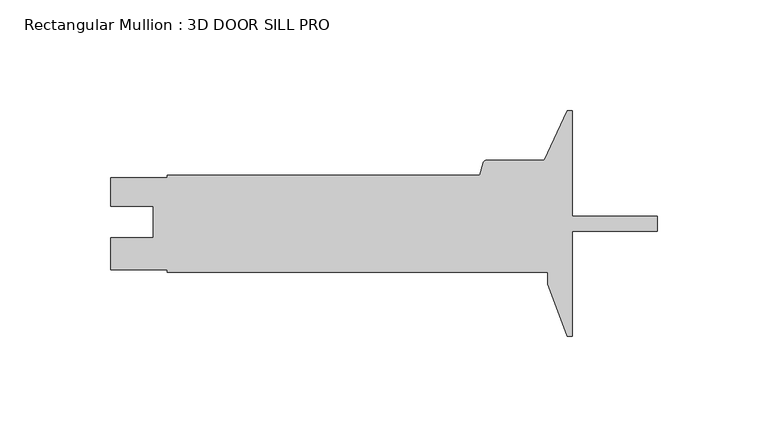
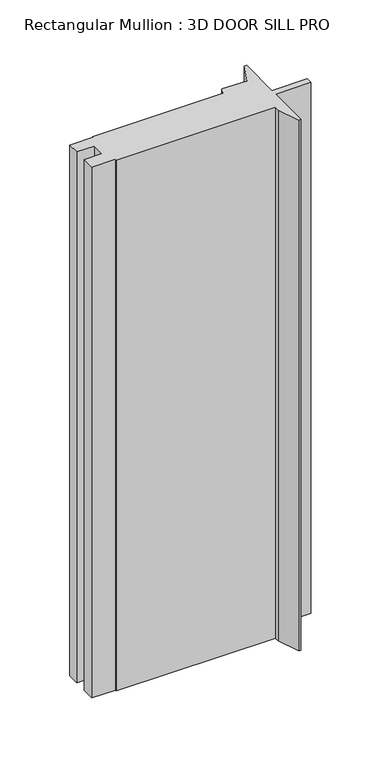
"""IFC4 building model written with IfcOpenShell, lengths in millimetres: member geometry, Rectangular Mullion : 3D DOOR SILL PRO."""

from ifc_helpers import new_model, si_unit, point, frame, frame_2d, origin, place, context, project, spatial, polyline, circle_curve, trimmed, segment, composite_curve, outline, extrude, source, transform, mapped, element, save


def rectangular_mullion_3d_door_sill_pro_079e4123(model_context):
    return source(origin(), model_context, "Body", "SweptSolid", [
        extrude(outline(composite_curve([segment(polyline([(-38.09873, 33.147), (-38.09873, -14.2875), (-40.48125, -14.2875), (-49.2125, 9.128125), (-49.2125, 14.6177), (-220.6625, 14.6177), (-220.6625, 15.8750163), (-246.0625, 15.8750163), (-246.0625, 30.1371), (-227.0252009, 30.1371), (-227.0252009, 44.4246), (-246.0625, 44.4246), (-246.0625, 57.1373), (-220.6625, 57.1373), (-220.6625, 58.4073), (-79.8317768, 58.4073), (-78.3570983, 63.9108752)]), True, "CONTINUOUS"), segment(trimmed(circle_curve(frame_2d((-76.823691, 63.5)), 1.5875), [point((-78.3570983, 63.9108752))], [point((-76.823691, 65.0875))], False, "CARTESIAN"), True, "CONTINUOUS"), segment(polyline([(-76.823691, 65.0875), (-50.8, 65.0875), (-40.48125, 87.3125), (-38.1, 87.3125), (-38.1, 39.878), (0.0, 39.878), (0.0, 33.147), (-38.09873, 33.147)]), True, "CONTINUOUS")], self_intersect=False)), frame((0.0, 0.0, -605.286998), z_axis=(0.0, 0.0, 1.0), x_axis=(1.0, 0.0, 0.0)), (0.0, 0.0, 1.0), 605.286998),
    ])


if __name__ == "__main__":
    model = new_model("IFC4")
    model_context = context("Model", 3, world=origin())
    ifc_project = project(units=[si_unit("LENGTHUNIT", "METRE", prefix="MILLI")], contexts=[model_context])
    site = spatial("IfcSite", under=ifc_project)
    building = spatial("IfcBuilding", under=site)
    placement = place(None, origin())
    rectangular_mullion_3d_door_sill_pro_shape = rectangular_mullion_3d_door_sill_pro_079e4123(model_context)
    element("IfcMember", 1, ObjectType="Rectangular Mullion : 3D DOOR SILL PRO", at=placement, inside=building, context=model_context, shape_type="MappedRepresentation", body=[
        mapped(rectangular_mullion_3d_door_sill_pro_shape, transform((0.0, 0.0, 0.0), x_axis=(1.0, 0.0, 0.0), y_axis=(0.0, 1.0, 0.0), z_axis=(0.0, 0.0, 1.0))),
    ])
    save(model, "model.ifc")
